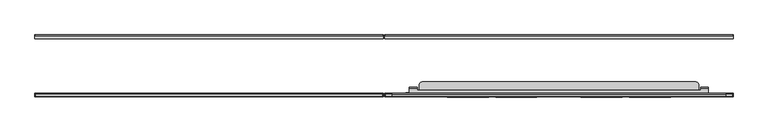
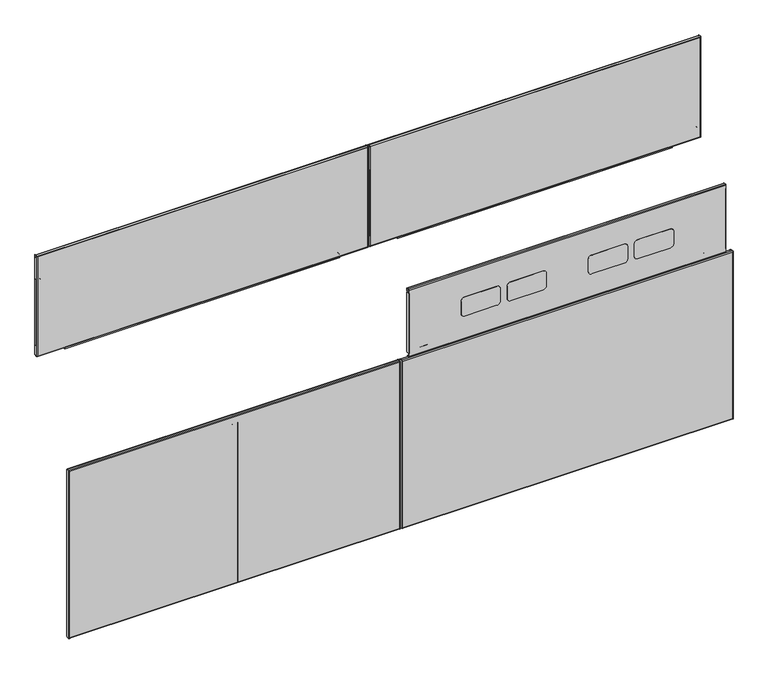
"""IFC4 building model written with IfcOpenShell, lengths in millimetres: furniture geometry."""

import ifcopenshell
import ifcopenshell.guid

model = None  # the IFC model being written
_history = None  # IfcOwnerHistory: only IFC2X3 demands one
_inside = {}  # id of a spatial element -> (the spatial element, [elements in it])
_under = {}  # id of a project, library or spatial element -> (it, [spatial elements below it])
_declared = {}  # id of a project -> (the project, [libraries it declares])
_typed = {}  # id of a type object -> (the type object, [elements of that type])
_made_of = {}  # id of a material, layer set ... -> (it, [elements and type objects made of it])


def new_model(schema):
    """Start an empty IFC model of exactly this schema.

    Asked for "IFC4X3", IfcOpenShell would pick the latest addendum, in which some entities
    have other attributes; the version numbers below select the first issue.
    IFC2X3 requires an IfcOwnerHistory on every rooted entity: one is made here for all.
    """
    global model, _history
    if schema == "IFC4X3":
        model = ifcopenshell.file(schema_version=(4, 3, 0, 0))
    else:
        model = ifcopenshell.file(schema=schema)
    _inside.clear()
    _under.clear()
    _declared.clear()
    _typed.clear()
    _made_of.clear()
    _history = None
    if model.schema == "IFC2X3":
        org = make("IfcOrganization", Name="unknown")
        user = make(
            "IfcPersonAndOrganization",
            ThePerson=make("IfcPerson", FamilyName="unknown"),
            TheOrganization=org,
        )
        app = make(
            "IfcApplication",
            ApplicationDeveloper=org,
            Version="unknown",
            ApplicationFullName="unknown",
            ApplicationIdentifier="unknown",
        )
        _history = make(
            "IfcOwnerHistory",
            OwningUser=user,
            OwningApplication=app,
            ChangeAction="ADDED",
            CreationDate=0,
        )
    return model


def make(cls, **values):
    """One entity of the class cls with the attributes given. An attribute that is None is left unset."""
    return model.create_entity(
        cls, **{name: value for name, value in values.items() if value is not None}
    )


def rooted(cls, **values):
    """An entity with a GlobalId (a new one), such as an element, a storey or a relation."""
    return make(cls, GlobalId=ifcopenshell.guid.new(), OwnerHistory=_history, **values)


def si_unit(unit_type, name, prefix=None):
    """IfcSIUnit, for example si_unit("LENGTHUNIT", "METRE", prefix="MILLI")."""
    return make("IfcSIUnit", UnitType=unit_type, Prefix=prefix, Name=name)


def assignment(units):
    """IfcUnitAssignment: the units of a project."""
    return None if units is None else make("IfcUnitAssignment", Units=units)


def point(xyz):
    """IfcCartesianPoint."""
    return None if xyz is None else make("IfcCartesianPoint", Coordinates=xyz)


def direction(xyz):
    """IfcDirection."""
    return None if xyz is None else make("IfcDirection", DirectionRatios=xyz)


def frame(location, z_axis=None, x_axis=None):
    """IfcAxis2Placement3D, a coordinate frame: its origin and axes. An axis left out is left unset."""
    return make(
        "IfcAxis2Placement3D",
        Location=point(location),
        Axis=direction(z_axis),
        RefDirection=direction(x_axis),
    )


def frame_2d(location, x_axis=None):
    """IfcAxis2Placement2D, a coordinate frame in the plane: its origin and x axis."""
    return make(
        "IfcAxis2Placement2D", Location=point(location), RefDirection=direction(x_axis)
    )


def origin():
    """The frame at (0, 0, 0) with its axes left unset."""
    return frame((0.0, 0.0, 0.0))


def place(relative_to, where):
    """IfcLocalPlacement: puts the frame where relative to a parent placement (None: the world)."""
    return make(
        "IfcLocalPlacement", PlacementRelTo=relative_to, RelativePlacement=where
    )


def context(
    kind, dimensions, precision=None, world=None, true_north=None, identifier=None
):
    """IfcGeometricRepresentationContext, for example the 3D "Model" context."""
    return make(
        "IfcGeometricRepresentationContext",
        ContextIdentifier=identifier,
        ContextType=kind,
        CoordinateSpaceDimension=dimensions,
        Precision=precision,
        WorldCoordinateSystem=world,
        TrueNorth=true_north,
    )


def project(units=None, contexts=None):
    """IfcProject with its units and contexts."""
    return rooted(
        "IfcProject",
        Name="project",
        RepresentationContexts=contexts,
        UnitsInContext=assignment(units),
    )


def spatial(cls, under=None, at=None, **own):
    """A site, building, storey or space (cls), placed at a placement, below another one or the project."""
    s = rooted(cls, ObjectPlacement=at, **own)
    if under is not None:
        _under.setdefault(under.id(), (under, []))[1].append(s)
    return s


def polyline(points):
    """IfcPolyline through the points."""
    return make("IfcPolyline", Points=[point(p) for p in points])


def circle_curve(where, radius):
    """IfcCircle in the frame where."""
    return make("IfcCircle", Position=where, Radius=radius)


def trimmed(basis, trim1, trim2, sense, master):
    """IfcTrimmedCurve: the piece of a basis curve between two trims."""
    return make(
        "IfcTrimmedCurve",
        BasisCurve=basis,
        Trim1=trim1,
        Trim2=trim2,
        SenseAgreement=sense,
        MasterRepresentation=master,
    )


def segment(curve, same_sense, transition):
    """IfcCompositeCurveSegment."""
    return make(
        "IfcCompositeCurveSegment",
        Transition=transition,
        SameSense=same_sense,
        ParentCurve=curve,
    )


def composite_curve(segments, self_intersect=None):
    """IfcCompositeCurve: segments joined end to end."""
    return make("IfcCompositeCurve", Segments=segments, SelfIntersect=self_intersect)


def outline(outer, holes=None, kind="AREA"):
    """IfcArbitraryClosedProfileDef: a profile drawn as a closed curve; with holes, ...WithVoids."""
    if holes is None:
        return make("IfcArbitraryClosedProfileDef", ProfileType=kind, OuterCurve=outer)
    return make(
        "IfcArbitraryProfileDefWithVoids",
        ProfileType=kind,
        OuterCurve=outer,
        InnerCurves=holes,
    )


def extrude(swept, where, along, depth):
    """IfcExtrudedAreaSolid: the profile swept, set in the frame where, extruded along a direction by depth."""
    return make(
        "IfcExtrudedAreaSolid",
        SweptArea=swept,
        Position=where,
        ExtrudedDirection=direction(along),
        Depth=depth,
    )


def shape(context_of_items, identifier, shape_type, items):
    """IfcShapeRepresentation: the items that make up one representation, for example the "Body"."""
    return make(
        "IfcShapeRepresentation",
        ContextOfItems=context_of_items,
        RepresentationIdentifier=identifier,
        RepresentationType=shape_type,
        Items=items,
    )


def source(mapping_origin, context_of_items, identifier, shape_type, items):
    """IfcRepresentationMap: a shape defined once, which mapped items show again and again."""
    return make(
        "IfcRepresentationMap",
        MappingOrigin=mapping_origin,
        MappedRepresentation=shape(context_of_items, identifier, shape_type, items),
    )


def transform(
    local_origin,
    x_axis=None,
    y_axis=None,
    z_axis=None,
    scale=None,
    scale2=None,
    scale3=None,
    uniform=True,
):
    """IfcCartesianTransformationOperator3D, or its non-uniform kind. x_axis, y_axis, z_axis: its Axis1, 2, 3."""
    if uniform:
        return make(
            "IfcCartesianTransformationOperator3D",
            Axis1=direction(x_axis),
            Axis2=direction(y_axis),
            LocalOrigin=point(local_origin),
            Scale=scale,
            Axis3=direction(z_axis),
        )
    return make(
        "IfcCartesianTransformationOperator3DnonUniform",
        Axis1=direction(x_axis),
        Axis2=direction(y_axis),
        LocalOrigin=point(local_origin),
        Scale=scale,
        Axis3=direction(z_axis),
        Scale2=scale2,
        Scale3=scale3,
    )


def mapped(mapping_source, mapping_target):
    """IfcMappedItem: shows the shape of a source again, moved by a transform."""
    return make(
        "IfcMappedItem", MappingSource=mapping_source, MappingTarget=mapping_target
    )


def made_of(thing, what):
    """Note that an element or type object is made of a material, layer set ...; save() writes the relation."""
    if what is not None:
        _made_of.setdefault(what.id(), (what, []))[1].append(thing)
    return thing


def element(
    cls,
    number,
    at=None,
    inside=None,
    cuts=None,
    type_object=None,
    material=None,
    context=None,
    identifier="Body",
    shape_type=None,
    held_by="IfcProductDefinitionShape",
    body=None,
    shapes=None,
    **own,
):
    """One element of the class cls, such as IfcWall. Its Tag is "e" and its number.

    at: its placement. inside: the storey or other place that contains it. cuts: it is an
    opening in that element (IfcRelVoidsElement). A single representation is given by context,
    identifier, shape_type and body (its items); several are given by shapes. held_by: the class
    of the entity that holds the representations. save() writes the other relations.
    """
    e = rooted(cls, Tag="e%d" % number, ObjectPlacement=at, **own)
    if body is not None:
        shapes = [shape(context, identifier, shape_type, body)]
    if shapes is not None:
        e.Representation = make(held_by, Representations=shapes)
    if inside is not None:
        _inside.setdefault(inside.id(), (inside, []))[1].append(e)
    if cuts is not None:
        rooted(
            "IfcRelVoidsElement", RelatingBuildingElement=cuts, RelatedOpeningElement=e
        )
    if type_object is not None:
        _typed.setdefault(type_object.id(), (type_object, []))[1].append(e)
    return made_of(e, material)


def aggregate(whole, parts):
    """IfcRelAggregates: a whole, such as a stair, and the parts it consists of."""
    return rooted("IfcRelAggregates", RelatingObject=whole, RelatedObjects=parts)


def save(model, path):
    """Write the relations noted so far, then the file.

    IfcRelAggregates (storeys below a building ...), IfcRelContainedInSpatialStructure (elements
    in a storey), IfcRelDefinesByType, IfcRelAssociatesMaterial and IfcRelDeclares: one each for
    every whole, place, type object, material and project.
    """
    for whole, parts in _under.values():
        aggregate(whole, parts)
    for where, things in _inside.values():
        rooted(
            "IfcRelContainedInSpatialStructure",
            RelatedElements=things,
            RelatingStructure=where,
        )
    for kind, things in _typed.values():
        rooted("IfcRelDefinesByType", RelatedObjects=things, RelatingType=kind)
    for what, things in _made_of.values():
        rooted("IfcRelAssociatesMaterial", RelatedObjects=things, RelatingMaterial=what)
    for by, libraries in _declared.values():
        rooted("IfcRelDeclares", RelatingContext=by, RelatedDefinitions=libraries)
    model.write(path)


def plane_surface(at):
    """IfcPlane: the flat surface through the origin of the frame at, square to its z axis."""
    return make("IfcPlane", Position=at)


def cylinder_surface(at, radius):
    """IfcCylindricalSurface: all points at the distance radius from the z axis of the frame at."""
    return make("IfcCylindricalSurface", Position=at, Radius=radius)


def revolved_surface(curve, axis_point, axis_direction):
    """IfcSurfaceOfRevolution: the curve turned about the line through axis_point along axis_direction."""
    return make(
        "IfcSurfaceOfRevolution",
        SweptCurve=make("IfcArbitraryOpenProfileDef", ProfileType="CURVE", Curve=curve),
        AxisPosition=make("IfcAxis1Placement", Location=point(axis_point), Axis=direction(axis_direction)),
    )


def advanced_brep(points, edges, surfaces, faces):
    """IfcAdvancedBrep: a solid bounded by faces that lie on surfaces and meet in shared edges.

    An edge is (start, end): straight between two places in points (the first is 0);
    or (start, end, curve); or (start, end, curve, False) where it runs against its curve.
    A face is (place in surfaces, loops), or (place, loops, False) where it looks against
    its surface's normal. A loop lists edges by number (the first is 1), with a minus sign
    where the edge is run from its end to its start. The first loop is the outer one.
    """
    corners = [point(p) for p in points]
    vertices = [make("IfcVertexPoint", VertexGeometry=c) for c in corners]
    made = []
    for start, end, *more in edges:
        made.append(
            make(
                "IfcEdgeCurve",
                EdgeStart=vertices[start],
                EdgeEnd=vertices[end],
                EdgeGeometry=more[0] if more else make("IfcPolyline", Points=[corners[start], corners[end]]),
                SameSense=more[1] if len(more) > 1 else True,
            )
        )
    hull = []
    for where, loops, *sense in faces:
        bounds = []
        for j, loop in enumerate(loops):
            ring = [make("IfcOrientedEdge", EdgeElement=made[abs(k) - 1], Orientation=k > 0) for k in loop]
            bounds.append(
                make(
                    "IfcFaceOuterBound" if j == 0 else "IfcFaceBound",
                    Bound=make("IfcEdgeLoop", EdgeList=ring),
                    Orientation=True,
                )
            )
        hull.append(make("IfcAdvancedFace", Bounds=bounds, FaceSurface=surfaces[where], SameSense=sense[0] if sense else True))
    return make("IfcAdvancedBrep", Outer=make("IfcClosedShell", CfsFaces=hull))


def furniture_0deeffac(model_context):
    return source(origin(), model_context, "Body", "SolidModel", [
        extrude(outline(composite_curve([segment(polyline([(734.9612073, 993.618702), (734.9612073, 1749.6539044), (745.1433918, 1749.6539044)]), True, "CONTINUOUS"), segment(trimmed(circle_curve(frame_2d((745.1433918, 1747.8360946)), 1.8178098), [point((745.1433918, 1749.6539044))], [point((746.9612016, 1747.8360946))], False, "CARTESIAN"), True, "CONTINUOUS"), segment(polyline([(746.9612016, 1747.8360946), (746.9612016, 995.0508917)]), True, "CONTINUOUS"), segment(trimmed(circle_curve(frame_2d((745.5290119, 995.0508917)), 1.4321897), [point((746.9612016, 995.0508917))], [point((745.5290119, 993.618702))], False, "CARTESIAN"), True, "CONTINUOUS"), segment(polyline([(745.5290119, 993.618702), (734.9612073, 993.618702)]), True, "CONTINUOUS")], self_intersect=False)), frame((0.0, -58.6781407, 0.0), z_axis=(0.0, 1.0, 0.0), x_axis=(0.0, 0.0, 1.0)), (0.0, 0.0, 1.0), 7.3431383),
        extrude(outline(composite_curve([segment(polyline([(825.6287108, 927.4859018), (960.2347544, 927.4859018)]), True, "CONTINUOUS"), segment(trimmed(circle_curve(frame_2d((960.2347544, 925.2594545)), 2.2264474), [point((960.2347544, 927.4859018))], [point((962.4612018, 925.2594545))], False, "CARTESIAN"), True, "CONTINUOUS"), segment(polyline([(962.4612018, 925.2594545), (962.4612018, 916.4000233), (769.9612512, 916.4000233), (769.9612512, 925.7819869)]), True, "CONTINUOUS"), segment(trimmed(circle_curve(frame_2d((771.6651662, 925.7819869)), 1.703915), [point((769.9612512, 925.7819869))], [point((771.6651662, 927.4859018))], False, "CARTESIAN"), True, "CONTINUOUS"), segment(polyline([(771.6651662, 927.4859018), (775.0827409, 927.4859018), (775.0827409, 921.8968534), (825.6287108, 921.8968534), (825.6287108, 927.4859018)]), True, "CONTINUOUS")], self_intersect=False)), frame((0.0, -58.6781407, 0.0), z_axis=(0.0, 1.0, 0.0), x_axis=(0.0, 0.0, 1.0)), (0.0, 0.0, 1.0), 7.3431383),
        extrude(outline(composite_curve([segment(polyline([(825.6287108, 1815.7878843), (825.6287108, 1821.3768844), (775.0827409, 1821.376885), (775.0827409, 1815.7878843), (771.3508741, 1815.7878843)]), True, "CONTINUOUS"), segment(trimmed(circle_curve(frame_2d((771.3508741, 1817.1775072)), 1.3896229), [point((771.3508741, 1815.7878843))], [point((769.9612512, 1817.1775072))], False, "CARTESIAN"), True, "CONTINUOUS"), segment(polyline([(769.9612512, 1817.1775072), (769.9612512, 1826.8000044), (962.4612018, 1826.8000044), (962.4612018, 1817.3471973)]), True, "CONTINUOUS"), segment(trimmed(circle_curve(frame_2d((960.9018888, 1817.3471973)), 1.559313), [point((962.4612018, 1817.3471973))], [point((960.9018888, 1815.7878843))], False, "CARTESIAN"), True, "CONTINUOUS"), segment(polyline([(960.9018888, 1815.7878843), (825.6287108, 1815.7878843)]), True, "CONTINUOUS")], self_intersect=False)), frame((0.0, -58.6781407, 0.0), z_axis=(0.0, 1.0, 0.0), x_axis=(0.0, 0.0, 1.0)), (0.0, 0.0, 1.0), 7.3431383),
        extrude(outline(polyline([(916.4000233, -51.3350025), (1826.8000044, -51.3350025), (1826.8000044, -60.8600025), (916.4000233, -60.8600025), (916.4000233, -51.3350025)])), frame((0.0, 0.0, 740.3599691), z_axis=(0.0, 0.0, 1.0), x_axis=(1.0, 0.0, 0.0)), (0.0, 0.0, 1.0), 0.9118629),
        extrude(outline(composite_curve([segment(trimmed(circle_curve(frame_2d((-53.4811786, 1029.2138314)), 1.2343177), [point((-52.2468609, 1029.2138314))], [point((-53.4811786, 1030.4481491))], True, "CARTESIAN"), True, "CONTINUOUS"), segment(polyline([(-53.4811786, 1030.4481491), (-60.8600025, 1030.4481491), (-60.8600025, 1031.3600121), (-53.3140334, 1031.3600121)]), True, "CONTINUOUS"), segment(trimmed(circle_curve(frame_2d((-53.3140334, 1029.3809811)), 1.9790309), [point((-53.3140334, 1031.3600121))], [point((-51.3350025, 1029.3809811))], False, "CARTESIAN"), True, "CONTINUOUS"), segment(polyline([(-51.3350025, 1029.3809811), (-51.3350025, 1023.3599916), (-52.2468609, 1023.3599916), (-52.2468609, 1029.2138314)]), True, "CONTINUOUS")], self_intersect=False)), frame((916.4000233, 0.0, 0.0), z_axis=(1.0, 0.0, 0.0), x_axis=(0.0, 1.0, 0.0)), (0.0, 0.0, 1.0), 910.3999811),
        extrude(outline(composite_curve([segment(polyline([(1826.8000044, -51.3350025), (1826.8000044, -58.637242)]), True, "CONTINUOUS"), segment(trimmed(circle_curve(frame_2d((1824.5772439, -58.637242)), 2.2227605), [point((1826.8000044, -58.637242))], [point((1824.5772439, -60.8600025))], False, "CARTESIAN"), True, "CONTINUOUS"), segment(polyline([(1824.5772439, -60.8600025), (918.9400233, -60.8600025)]), True, "CONTINUOUS"), segment(trimmed(circle_curve(frame_2d((918.9400233, -58.3200025)), 2.54), [point((918.9400233, -60.8600025))], [point((916.4000233, -58.3200025))], False, "CARTESIAN"), True, "CONTINUOUS"), segment(polyline([(916.4000233, -58.3200025), (916.4000233, -51.3350025), (917.327504, -51.3350025), (917.327504, -58.5359447)]), True, "CONTINUOUS"), segment(trimmed(circle_curve(frame_2d((918.7396987, -58.5359447)), 1.4121948), [point((917.327504, -58.5359447))], [point((918.7396987, -59.9481395))], True, "CARTESIAN"), True, "CONTINUOUS"), segment(polyline([(918.7396987, -59.9481395), (1824.7706627, -59.9481395)]), True, "CONTINUOUS"), segment(trimmed(circle_curve(frame_2d((1824.7706627, -58.8306579)), 1.1174816), [point((1824.7706627, -59.9481395))], [point((1825.8881443, -58.8306579))], True, "CARTESIAN"), True, "CONTINUOUS"), segment(polyline([(1825.8881443, -58.8306579), (1825.8881443, -51.3350025), (1826.8000044, -51.3350025)]), True, "CONTINUOUS")], self_intersect=False)), frame((0.0, 0.0, 740.3599691), z_axis=(0.0, 0.0, 1.0), x_axis=(1.0, 0.0, 0.0)), (0.0, 0.0, 1.0), 291.0000429),
        extrude(outline(composite_curve([segment(polyline([(734.9612073, 835.181298), (745.5290119, 835.181298)]), True, "CONTINUOUS"), segment(trimmed(circle_curve(frame_2d((745.5290119, 833.7491083)), 1.4321897), [point((745.5290119, 835.181298))], [point((746.9612016, 833.7491083))], False, "CARTESIAN"), True, "CONTINUOUS"), segment(polyline([(746.9612016, 833.7491083), (746.9612016, 80.9639054)]), True, "CONTINUOUS"), segment(trimmed(circle_curve(frame_2d((745.1433918, 80.9639054)), 1.8178098), [point((746.9612016, 80.9639054))], [point((745.1433918, 79.1460956))], False, "CARTESIAN"), True, "CONTINUOUS"), segment(polyline([(745.1433918, 79.1460956), (734.9612073, 79.1460956), (734.9612073, 835.181298)]), True, "CONTINUOUS")], self_intersect=False)), frame((0.0, -58.6781407, 0.0), z_axis=(0.0, 1.0, 0.0), x_axis=(0.0, 0.0, 1.0)), (0.0, 0.0, 1.0), 7.3431383),
        extrude(outline(composite_curve([segment(polyline([(825.6287108, 901.3140982), (825.6287108, 906.9031466), (775.0827409, 906.9031466), (775.0827409, 901.3140982), (771.6651662, 901.3140982)]), True, "CONTINUOUS"), segment(trimmed(circle_curve(frame_2d((771.6651662, 903.0180131)), 1.703915), [point((771.6651662, 901.3140982))], [point((769.9612512, 903.0180131))], False, "CARTESIAN"), True, "CONTINUOUS"), segment(polyline([(769.9612512, 903.0180131), (769.9612512, 912.3999767), (962.4612018, 912.3999767), (962.4612018, 903.5405455)]), True, "CONTINUOUS"), segment(trimmed(circle_curve(frame_2d((960.2347544, 903.5405455)), 2.2264474), [point((962.4612018, 903.5405455))], [point((960.2347544, 901.3140982))], False, "CARTESIAN"), True, "CONTINUOUS"), segment(polyline([(960.2347544, 901.3140982), (825.6287108, 901.3140982)]), True, "CONTINUOUS")], self_intersect=False)), frame((0.0, -58.6781407, 0.0), z_axis=(0.0, 1.0, 0.0), x_axis=(0.0, 0.0, 1.0)), (0.0, 0.0, 1.0), 7.3431383),
        extrude(outline(composite_curve([segment(polyline([(825.6287108, 13.0121157), (960.9018888, 13.0121157)]), True, "CONTINUOUS"), segment(trimmed(circle_curve(frame_2d((960.9018888, 11.4528027)), 1.559313), [point((960.9018888, 13.0121157))], [point((962.4612018, 11.4528027))], False, "CARTESIAN"), True, "CONTINUOUS"), segment(polyline([(962.4612018, 11.4528027), (962.4612018, 1.9999956), (769.9612512, 1.9999956), (769.9612512, 11.6224928)]), True, "CONTINUOUS"), segment(trimmed(circle_curve(frame_2d((771.3508741, 11.6224928)), 1.3896229), [point((769.9612512, 11.6224928))], [point((771.3508741, 13.0121157))], False, "CARTESIAN"), True, "CONTINUOUS"), segment(polyline([(771.3508741, 13.0121157), (775.0827409, 13.0121157), (775.0827409, 7.423115), (825.6287108, 7.4231156), (825.6287108, 13.0121157)]), True, "CONTINUOUS")], self_intersect=False)), frame((0.0, -58.6781407, 0.0), z_axis=(0.0, 1.0, 0.0), x_axis=(0.0, 0.0, 1.0)), (0.0, 0.0, 1.0), 7.3431383),
        extrude(outline(polyline([(912.3999767, -51.3350025), (912.3999767, -60.8600025), (1.9999956, -60.8600025), (1.9999956, -51.3350025), (912.3999767, -51.3350025)])), frame((0.0, 0.0, 740.3599691), z_axis=(0.0, 0.0, 1.0), x_axis=(1.0, 0.0, 0.0)), (0.0, 0.0, 1.0), 0.9118629),
        extrude(outline(composite_curve([segment(trimmed(circle_curve(frame_2d((-53.4811786, 1029.2138314)), 1.2343177), [point((-52.2468609, 1029.2138314))], [point((-53.4811786, 1030.4481491))], True, "CARTESIAN"), True, "CONTINUOUS"), segment(polyline([(-53.4811786, 1030.4481491), (-60.8600025, 1030.4481491), (-60.8600025, 1031.3600121), (-53.3140334, 1031.3600121)]), True, "CONTINUOUS"), segment(trimmed(circle_curve(frame_2d((-53.3140334, 1029.3809811)), 1.9790309), [point((-53.3140334, 1031.3600121))], [point((-51.3350025, 1029.3809811))], False, "CARTESIAN"), True, "CONTINUOUS"), segment(polyline([(-51.3350025, 1029.3809811), (-51.3350025, 1023.3599916), (-52.2468609, 1023.3599916), (-52.2468609, 1029.2138314)]), True, "CONTINUOUS")], self_intersect=False)), frame((1.9999956, 0.0, 0.0), z_axis=(1.0, 0.0, 0.0), x_axis=(0.0, 1.0, 0.0)), (0.0, 0.0, 1.0), 910.3999811),
        extrude(outline(composite_curve([segment(polyline([(1.9999956, -51.3350025), (2.9118557, -51.3350025), (2.9118557, -58.8306579)]), True, "CONTINUOUS"), segment(trimmed(circle_curve(frame_2d((4.0293373, -58.8306579)), 1.1174816), [point((2.9118557, -58.8306579))], [point((4.0293373, -59.9481395))], True, "CARTESIAN"), True, "CONTINUOUS"), segment(polyline([(4.0293373, -59.9481395), (910.0603013, -59.9481395)]), True, "CONTINUOUS"), segment(trimmed(circle_curve(frame_2d((910.0603013, -58.5359447)), 1.4121948), [point((910.0603013, -59.9481395))], [point((911.472496, -58.5359447))], True, "CARTESIAN"), True, "CONTINUOUS"), segment(polyline([(911.472496, -58.5359447), (911.472496, -51.3350025), (912.3999767, -51.3350025), (912.3999767, -58.3200025)]), True, "CONTINUOUS"), segment(trimmed(circle_curve(frame_2d((909.8599767, -58.3200025)), 2.54), [point((912.3999767, -58.3200025))], [point((909.8599767, -60.8600025))], False, "CARTESIAN"), True, "CONTINUOUS"), segment(polyline([(909.8599767, -60.8600025), (4.2227561, -60.8600025)]), True, "CONTINUOUS"), segment(trimmed(circle_curve(frame_2d((4.2227561, -58.637242)), 2.2227605), [point((4.2227561, -60.8600025))], [point((1.9999956, -58.637242))], False, "CARTESIAN"), True, "CONTINUOUS"), segment(polyline([(1.9999956, -58.637242), (1.9999956, -51.3350025)]), True, "CONTINUOUS")], self_intersect=False)), frame((0.0, 0.0, 740.3599691), z_axis=(0.0, 0.0, 1.0), x_axis=(1.0, 0.0, 0.0)), (0.0, 0.0, 1.0), 291.0000429),
        extrude(outline(polyline([(1390.4214166, -206.4751401), (1384.5540058, -206.4751401), (1383.7919884, -206.6793172), (1383.2341736, -207.2371399), (1383.0300073, -207.9991398), (1383.0300073, -209.3239397), (1382.6250538, -210.8352397), (1381.5186896, -211.9415885), (1380.0074083, -212.3465398), (1363.2082399, -212.3465398), (1361.6969586, -211.9415885), (1360.5905945, -210.8352397), (1360.185641, -209.3239397), (1360.185641, -207.9991398), (1359.9814747, -207.2371399), (1359.4236599, -206.6793172), (1358.6616425, -206.4751401), (1352.7942317, -206.4751401), (1352.7942317, -204.97654), (1358.6616425, -204.97654), (1360.1729601, -205.3814916), (1361.2792879, -206.48784), (1361.6842414, -207.9991398), (1361.6842414, -209.3239397), (1361.8884077, -210.0859401), (1362.4462588, -210.6437628), (1363.2082399, -210.8479399), (1380.0074083, -210.8479399), (1380.7693894, -210.6437628), (1381.3272406, -210.0859401), (1381.5314069, -209.3239397), (1381.5314069, -207.9991398), (1381.9363604, -206.48784), (1383.0426882, -205.3814916), (1384.5540058, -204.97654), (1390.4214166, -204.97654), (1390.4214166, -206.4751401)])), frame((0.0, 0.0, 13.511849), z_axis=(0.0, 0.0, 1.0), x_axis=(1.0, 0.0, 0.0)), (0.0, 0.0, 1.0), 465.0000042),
        extrude(outline(composite_curve([segment(polyline([(-206.0205708, 12.9809891), (-213.2583999, 12.9809891), (-213.2583999, 500.6190067), (-205.8612792, 500.6190067)]), True, "CONTINUOUS"), segment(trimmed(circle_curve(frame_2d((-205.8612792, 498.4911276)), 2.1278792), [point((-205.8612792, 500.6190067))], [point((-203.7334, 498.4911276))], False, "CARTESIAN"), True, "CONTINUOUS"), segment(polyline([(-203.7334, 498.4911276), (-203.7334, 15.2681599)]), True, "CONTINUOUS"), segment(trimmed(circle_curve(frame_2d((-206.0205708, 15.2681599)), 2.2871708), [point((-203.7334, 15.2681599))], [point((-206.0205708, 12.9809891))], False, "CARTESIAN"), True, "CONTINUOUS")], self_intersect=False)), frame((916.4000233, 0.0, 0.0), z_axis=(1.0, 0.0, 0.0), x_axis=(0.0, 1.0, 0.0)), (0.0, 0.0, 1.0), 0.9274807),
        extrude(outline(composite_curve([segment(polyline([(-206.0205708, 12.9809891), (-213.2583999, 12.9809891), (-213.2583999, 500.6190067), (-205.8612792, 500.6190067)]), True, "CONTINUOUS"), segment(trimmed(circle_curve(frame_2d((-205.8612792, 498.4911276)), 2.1278792), [point((-205.8612792, 500.6190067))], [point((-203.7334, 498.4911276))], False, "CARTESIAN"), True, "CONTINUOUS"), segment(polyline([(-203.7334, 498.4911276), (-203.7334, 15.2681599)]), True, "CONTINUOUS"), segment(trimmed(circle_curve(frame_2d((-206.0205708, 15.2681599)), 2.2871708), [point((-203.7334, 15.2681599))], [point((-206.0205708, 12.9809891))], False, "CARTESIAN"), True, "CONTINUOUS")], self_intersect=False)), frame((1825.8881443, 0.0, 0.0), z_axis=(1.0, 0.0, 0.0), x_axis=(0.0, 1.0, 0.0)), (0.0, 0.0, 1.0), 0.9118601),
        extrude(outline(polyline([(76.8619872, 917.327504), (76.8619872, 929.449019), (156.5539797, 929.449019), (156.5539797, 923.8600188), (207.099986, 923.8600188), (207.099986, 929.449019), (437.5000033, 929.449019), (437.5000033, 917.327504), (76.8619872, 917.327504)])), frame((0.0, -204.82433, 0.0), z_axis=(0.0, 1.0, 0.0), x_axis=(0.0, 0.0, 1.0)), (0.0, 0.0, 1.0), 0.7986162),
        extrude(outline(polyline([(76.8619872, 1825.8881443), (437.5000033, 1825.8881443), (437.5000033, 1815.7510043), (207.099986, 1815.7510043), (207.099986, 1821.3400044), (156.5539797, 1821.3400044), (156.5539797, 1815.7510043), (76.8619872, 1815.7510043), (76.8619872, 1825.8881443)])), frame((0.0, -204.82433, 0.0), z_axis=(0.0, 1.0, 0.0), x_axis=(0.0, 0.0, 1.0)), (0.0, 0.0, 1.0), 0.7986162),
        extrude(outline(composite_curve([segment(trimmed(circle_curve(frame_2d((-206.0131195, 498.7202595)), 2.2797196), [point((-206.0131195, 500.9999791))], [point((-203.7334, 498.7202595))], False, "CARTESIAN"), True, "CONTINUOUS"), segment(polyline([(-203.7334, 498.7202595), (-203.7334, 486.0902061), (-204.64526, 486.0902061), (-204.64526, 498.7756083)]), True, "CONTINUOUS"), segment(trimmed(circle_curve(frame_2d((-205.9577679, 498.7756083)), 1.3125079), [point((-204.64526, 498.7756083))], [point((-205.9577679, 500.0881162))], True, "CARTESIAN"), True, "CONTINUOUS"), segment(polyline([(-205.9577679, 500.0881162), (-211.0778208, 500.0881162)]), True, "CONTINUOUS"), segment(trimmed(circle_curve(frame_2d((-211.0778208, 498.8193972)), 1.2687189), [point((-211.0778208, 500.0881162))], [point((-212.3465398, 498.8193972))], True, "CARTESIAN"), True, "CONTINUOUS"), segment(polyline([(-212.3465398, 498.8193972), (-212.3465398, 14.9389212)]), True, "CONTINUOUS"), segment(trimmed(circle_curve(frame_2d((-210.9194675, 14.9389212)), 1.4270722), [point((-212.3465398, 14.9389212))], [point((-210.9194675, 13.511849))], True, "CARTESIAN"), True, "CONTINUOUS"), segment(polyline([(-210.9194675, 13.511849), (-205.9776146, 13.511849)]), True, "CONTINUOUS"), segment(trimmed(circle_curve(frame_2d((-205.9776146, 14.8442036)), 1.3323546), [point((-205.9776146, 13.511849))], [point((-204.64526, 14.8442036))], True, "CARTESIAN"), True, "CONTINUOUS"), segment(polyline([(-204.64526, 14.8442036), (-204.64526, 24.5989482), (-203.7334, 24.5989482), (-203.7334, 14.8055187)]), True, "CONTINUOUS"), segment(trimmed(circle_curve(frame_2d((-205.9389292, 14.8055187)), 2.2055292), [point((-203.7334, 14.8055187))], [point((-205.9389292, 12.5999894))], False, "CARTESIAN"), True, "CONTINUOUS"), segment(polyline([(-205.9389292, 12.5999894), (-211.149738, 12.5999894)]), True, "CONTINUOUS"), segment(trimmed(circle_curve(frame_2d((-211.149738, 14.7086513)), 2.1086618), [point((-211.149738, 12.5999894))], [point((-213.2583999, 14.7086513))], False, "CARTESIAN"), True, "CONTINUOUS"), segment(polyline([(-213.2583999, 14.7086513), (-213.2583999, 498.8134963)]), True, "CONTINUOUS"), segment(trimmed(circle_curve(frame_2d((-211.0719171, 498.8134963)), 2.1864828), [point((-213.2583999, 498.8134963))], [point((-211.0719171, 500.9999791))], False, "CARTESIAN"), True, "CONTINUOUS"), segment(polyline([(-211.0719171, 500.9999791), (-206.0131195, 500.9999791)]), True, "CONTINUOUS")], self_intersect=False)), frame((917.327504, 0.0, 0.0), z_axis=(1.0, 0.0, 0.0), x_axis=(0.0, 1.0, 0.0)), (0.0, 0.0, 1.0), 908.5606403),
        advanced_brep(
        [(980.7614149, -189.0734003, 484.7619804), (980.7614149, -189.0734003, 502.380488), (980.7614149, -190.6453154, 503.9524031), (980.7614149, -205.2802599, 503.9524031), (980.7614149, -205.2802599, 504.7619951), (980.7614149, -190.2544323, 504.7619951), (980.7614149, -188.2141807, 502.7217435), (980.7614149, -188.2141807, 484.7619804), (1762.4385987, -189.0734003, 484.7619804), (1762.4385987, -188.2141807, 484.7619804), (1762.4385987, -188.2141807, 502.7217435), (1762.4385987, -190.2544323, 504.7619951), (1762.4385987, -205.2802599, 504.7619951), (1762.4385987, -205.2802599, 503.9524031), (1762.4385987, -190.6453154, 503.9524031), (1762.4385987, -189.0734003, 502.380488), (1742.4385977, -189.0734003, 484.7619804), (1742.4385977, -188.2141807, 484.7619804), (1000.7614296, -188.2141807, 484.7619804), (1000.7614296, -189.0734003, 484.7619804), (1742.4385977, -188.2141807, 502.7217435), (1000.7614296, -188.2141807, 502.7217435), (1742.4385977, -190.2544323, 504.7619951), (1000.7614296, -190.2544323, 504.7619951), (1742.4385977, -196.3134, 504.7619951), (1000.7614296, -196.3134, 504.7619951), (1000.7614296, -190.6453154, 503.9524031), (1000.7614296, -196.3134, 503.9524031), (1742.4385977, -196.3134, 503.9524031), (1742.4385977, -190.6453154, 503.9524031), (1742.4385977, -189.0734003, 502.380488), (1000.7614296, -189.0734003, 502.380488)],
        [
            (0, 1),
            (1, 2, circle_curve(frame((980.7614149, -190.6453154, 502.380488), z_axis=(1.0, 0.0, 0.0), x_axis=(0.0, 1.0, 0.0)), 1.571915)),
            (2, 3),
            (3, 4),
            (4, 5),
            (5, 6, circle_curve(frame((980.7614149, -190.2544323, 502.7217435), z_axis=(-1.0, 0.0, 0.0), x_axis=(0.0, 1.0, 0.0)), 2.0402516)),
            (6, 7),
            (7, 0),
            (8, 9),
            (9, 10),
            (10, 11, circle_curve(frame((1762.4385987, -190.2544323, 502.7217435), z_axis=(1.0, 0.0, 0.0), x_axis=(0.0, 1.0, 0.0)), 2.0402516)),
            (11, 12),
            (12, 13),
            (13, 14),
            (14, 15, circle_curve(frame((1762.4385987, -190.6453154, 502.380488), z_axis=(-1.0, 0.0, 0.0), x_axis=(0.0, 1.0, 0.0)), 1.571915)),
            (15, 8),
            (8, 16),
            (16, 17),
            (17, 9),
            (7, 18),
            (18, 19),
            (19, 0),
            (17, 20),
            (20, 10),
            (6, 21),
            (21, 18),
            (20, 22, circle_curve(frame((1742.4385977, -190.2544323, 502.7217435), z_axis=(1.0, 0.0, 0.0), x_axis=(0.0, 1.0, 0.0)), 2.0402516)),
            (22, 11),
            (5, 23),
            (23, 21, circle_curve(frame((1000.7614296, -190.2544323, 502.7217435), z_axis=(-1.0, 0.0, 0.0), x_axis=(0.0, 1.0, 0.0)), 2.0402516)),
            (4, 12),
            (22, 24),
            (24, 25),
            (25, 23),
            (3, 13),
            (2, 26),
            (26, 27),
            (27, 28),
            (28, 29),
            (29, 14),
            (29, 30, circle_curve(frame((1742.4385977, -190.6453154, 502.380488), z_axis=(-1.0, 0.0, 0.0), x_axis=(0.0, 1.0, 0.0)), 1.571915)),
            (30, 15),
            (1, 31),
            (31, 26, circle_curve(frame((1000.7614296, -190.6453154, 502.380488), z_axis=(1.0, 0.0, 0.0), x_axis=(0.0, 1.0, 0.0)), 1.571915)),
            (19, 31),
            (30, 16),
            (27, 25),
            (24, 28),
        ],
        [
            plane_surface(frame((980.7614149, -189.0734003, 484.7619804), z_axis=(-1.0, 0.0, 0.0), x_axis=(0.0, 1.0, 0.0))),
            plane_surface(frame((1762.4385987, -189.0734003, 484.7619804), z_axis=(1.0, 0.0, 0.0), x_axis=(0.0, -1.0, 0.0))),
            plane_surface(frame((980.7614149, -189.0734003, 484.7619804), z_axis=(0.0, 0.0, -1.0), x_axis=(1.0, 0.0, 0.0))),
            plane_surface(frame((980.7614149, -188.2141807, 484.7619804), z_axis=(0.0, 1.0, 0.0), x_axis=(1.0, 0.0, 0.0))),
            cylinder_surface(frame((1762.4385987, -190.2544323, 502.7217435), z_axis=(-1.0, 0.0, 0.0), x_axis=(0.0, 1.0, 0.0)), 2.0402516),
            plane_surface(frame((980.7614149, -190.2544323, 504.7619951), z_axis=(0.0, 0.0, 1.0), x_axis=(1.0, 0.0, 0.0))),
            plane_surface(frame((980.7614149, -205.2802599, 504.7619951), z_axis=(0.0, -1.0, 0.0), x_axis=(1.0, 0.0, 0.0))),
            plane_surface(frame((980.7614149, -205.2802599, 503.9524031), z_axis=(0.0, 0.0, -1.0), x_axis=(1.0, 0.0, 0.0))),
            revolved_surface(polyline([(1762.4385987, -189.0734004, 502.380488), (1742.4385977, -189.0734004, 502.380488)]), (1762.4385987, -190.6453154, 502.380488), (1.0, 0.0, 0.0)),
            revolved_surface(polyline([(1000.7614296, -189.0734004, 502.380488), (980.7614149, -189.0734004, 502.380488)]), (1762.4385987, -190.6453154, 502.380488), (1.0, 0.0, 0.0)),
            plane_surface(frame((980.7614149, -189.0734003, 502.380488), z_axis=(0.0, -1.0, 0.0), x_axis=(1.0, 0.0, 0.0))),
            plane_surface(frame((1742.4385977, -196.3134, 504.7619951), z_axis=(0.0, 1.0, 0.0), x_axis=(0.0, 0.0, -1.0))),
            plane_surface(frame((1000.7614296, -196.3134, 504.7619951), z_axis=(1.0, 0.0, 0.0), x_axis=(0.0, 0.0, -1.0))),
            plane_surface(frame((1742.4385977, -188.2141807, 504.7619951), z_axis=(-1.0, 0.0, 0.0), x_axis=(0.0, 0.0, -1.0))),
        ],
        [
            (0, [[1, 2, 3, 4, 5, 6, 7, 8]]),
            (1, [[9, 10, 11, 12, 13, 14, 15, 16]]),
            (2, [[17, 18, 19, -9]]),
            (2, [[20, 21, 22, -8]]),
            (3, [[-19, 23, 24, -10]]),
            (3, [[25, 26, -20, -7]]),
            (4, [[-24, 27, 28, -11]]),
            (4, [[29, 30, -25, -6]]),
            (5, [[31, -12, -28, 32, 33, 34, -29, -5]]),
            (6, [[35, -13, -31, -4]]),
            (7, [[36, 37, 38, 39, 40, -14, -35, -3]]),
            (8, [[-40, 41, 42, -15]]),
            (9, [[43, 44, -36, -2]]),
            (10, [[-22, 45, -43, -1]]),
            (10, [[-42, 46, -17, -16]]),
            (11, [[-38, 47, -33, 48]]),
            (12, [[-37, -44, -45, -21, -26, -30, -34, -47]]),
            (13, [[-32, -27, -23, -18, -46, -41, -39, -48]]),
        ],
    ),
        advanced_brep(
        [(971.611392, -202.8234, 481.0000008), (971.611392, -203.7334, 481.0000008), (971.611392, -203.7334, 499.164291), (971.611392, -202.3166887, 500.9515261), (971.611392, -202.3166887, 500.0149173), (971.611392, -202.8234, 499.2323507), (1771.6000031, -203.7334, 481.0000008), (1771.6000031, -203.20254, 481.0000008), (1771.6000031, -203.20254, 500.4554821), (1771.6000031, -203.7334, 499.164291), (1762.4385987, -202.8234, 499.2323507), (1762.4385987, -202.8234, 481.0000008), (982.7614154, -202.3166887, 500.0149173), (982.7614154, -201.9657451, 500.0900056), (1762.4385987, -201.9657451, 500.0900056), (1736.5886005, -181.7333994, 500.0900056), (1736.5886005, -196.3134, 500.0900056), (1762.4385987, -196.3134, 500.0900056), (982.7614154, -196.3134, 500.0900056), (1006.52782, -196.3134, 500.0900056), (1006.52782, -181.7333994, 500.0900056), (1007.5996205, -177.7334005, 500.0900056), (1010.5278211, -174.8051976, 500.0900056), (1014.5278222, -173.7333994, 500.0900056), (1728.5885982, -173.7333994, 500.0900056), (1732.5885994, -174.8051976, 500.0900056), (1735.5168, -177.7334005, 500.0900056), (1014.5278222, -173.7333994, 500.9999791), (1728.5885982, -173.7333994, 500.9999791), (1735.5168, -177.7334005, 500.9999791), (1732.5885994, -174.8051976, 500.9999791), (1010.5278211, -174.8051976, 500.9999791), (1007.5996205, -177.7334005, 500.9999791), (1006.52782, -181.7333994, 500.9999791), (1006.52782, -196.3134, 500.9999791), (982.7614154, -196.3134, 500.9999791), (982.7614154, -201.8977118, 500.9999791), (1762.4385987, -201.8977118, 500.9999791), (1762.4385987, -196.3134, 500.9999791), (1736.5886005, -196.3134, 500.9999791), (1736.5886005, -181.7333994, 500.9999791), (1762.4385987, -203.20254, 500.4554821), (982.7614154, -202.3166887, 500.9515261), (1762.4385987, -203.20254, 481.0000008)],
        [
            (0, 1),
            (1, 2),
            (2, 3, circle_curve(frame((971.611392, -201.8977118, 499.164291), z_axis=(-1.0, 0.0, 0.0), x_axis=(0.0, 1.0, 0.0)), 1.8356882)),
            (3, 4),
            (4, 5, circle_curve(frame((971.611392, -201.9657451, 499.2323507), z_axis=(1.0, 0.0, 0.0), x_axis=(0.0, 1.0, 0.0)), 0.8576549)),
            (5, 0),
            (6, 7),
            (7, 8),
            (8, 9, circle_curve(frame((1771.6000031, -201.8977118, 499.164291), z_axis=(1.0, 0.0, 0.0), x_axis=(0.0, 1.0, 0.0)), 1.8356882)),
            (9, 6),
            (5, 10),
            (10, 11),
            (11, 0),
            (4, 12),
            (12, 13, circle_curve(frame((982.7614154, -201.9657451, 499.2323507), z_axis=(-1.0, 0.0, 0.0), x_axis=(0.0, 1.0, 0.0)), 0.8576549)),
            (13, 14),
            (14, 10, circle_curve(frame((1762.4385987, -201.9657451, 499.2323507), z_axis=(1.0, 0.0, 0.0), x_axis=(0.0, 1.0, 0.0)), 0.8576549)),
            (15, 16),
            (16, 17),
            (17, 14),
            (13, 18),
            (18, 19),
            (19, 20),
            (20, 21),
            (21, 22),
            (22, 23),
            (23, 24),
            (24, 25),
            (25, 26),
            (26, 15),
            (23, 27),
            (27, 28),
            (28, 24),
            (29, 30),
            (30, 28),
            (27, 31),
            (31, 32),
            (32, 33),
            (33, 34),
            (34, 35),
            (35, 36),
            (36, 37),
            (37, 38),
            (38, 39),
            (39, 40),
            (40, 29),
            (8, 41),
            (41, 37, circle_curve(frame((1762.4385987, -201.8977118, 499.164291), z_axis=(-1.0, 0.0, 0.0), x_axis=(0.0, 1.0, 0.0)), 1.8356882)),
            (36, 42, circle_curve(frame((982.7614154, -201.8977118, 499.164291), z_axis=(1.0, 0.0, 0.0), x_axis=(0.0, 1.0, 0.0)), 1.8356882)),
            (42, 3),
            (2, 9),
            (1, 6),
            (11, 43),
            (43, 7),
            (26, 29),
            (40, 15),
            (25, 30),
            (43, 41),
            (17, 38),
            (16, 39),
            (20, 33),
            (32, 21),
            (31, 22),
            (42, 12),
            (35, 18),
            (34, 19),
        ],
        [
            plane_surface(frame((971.611392, -202.8234, 494.4355179), z_axis=(-1.0, 0.0, 0.0), x_axis=(0.0, 0.0, 1.0))),
            plane_surface(frame((1771.6000031, -202.8234, 494.4355179), z_axis=(1.0, 0.0, 0.0), x_axis=(0.0, 0.0, -1.0))),
            plane_surface(frame((971.611392, -202.8234, 481.0000008), z_axis=(0.0, 1.0, 0.0), x_axis=(1.0, 0.0, 0.0))),
            revolved_surface(polyline([(1762.4385987, -201.1080902, 499.2323507), (971.611392, -201.1080902, 499.2323507)]), (1771.6000031, -201.9657451, 499.2323507), (1.0, 0.0, 0.0)),
            plane_surface(frame((971.611392, -201.9657451, 500.0900056), z_axis=(0.0, 0.0, -1.0), x_axis=(1.0, 0.0, 0.0))),
            plane_surface(frame((971.611392, -173.7333994, 500.0900056), z_axis=(0.0, 1.0, 0.0), x_axis=(1.0, 0.0, 0.0))),
            plane_surface(frame((971.611392, -173.7333994, 500.9999791), z_axis=(0.0, 0.0, 1.0), x_axis=(1.0, 0.0, 0.0))),
            cylinder_surface(frame((1771.6000031, -201.8977118, 499.164291), z_axis=(-1.0, 0.0, 0.0), x_axis=(0.0, 1.0, 0.0)), 1.8356882),
            plane_surface(frame((971.611392, -203.7334, 499.164291), z_axis=(0.0, -1.0, 0.0), x_axis=(1.0, 0.0, 0.0))),
            plane_surface(frame((971.611392, -203.7334, 481.0000008), z_axis=(0.0, 0.0, -1.0), x_axis=(1.0, 0.0, 0.0))),
            plane_surface(frame((1736.5886005, -181.7333994, 533.1392388), z_axis=(0.9659255828324517, 0.2588199536932742, 0.0), x_axis=(0.0, 0.0, -1.0))),
            plane_surface(frame((1735.5168, -177.7334005, 533.1392388), z_axis=(0.707107055381215, 0.7071065069917737, 0.0), x_axis=(0.0, 0.0, -1.0))),
            plane_surface(frame((1732.5885994, -174.8051976, 533.1392388), z_axis=(0.25881930494190625, 0.9659257566652774, 0.0), x_axis=(0.0, 0.0, -1.0))),
            plane_surface(frame((1771.5885989, -203.20254, 533.1392388), z_axis=(0.0, 1.0, 0.0), x_axis=(0.0, 0.0, -1.0))),
            plane_surface(frame((1762.4385987, -203.20254, 533.1392388), z_axis=(1.0, 0.0, 0.0), x_axis=(0.0, 0.0, -1.0))),
            plane_surface(frame((1762.4385987, -196.3134, 533.1392388), z_axis=(0.0, 1.0, 0.0), x_axis=(0.0, 0.0, -1.0))),
            plane_surface(frame((1736.5886005, -196.3134, 533.1392388), z_axis=(1.0, 0.0, 0.0), x_axis=(0.0, 0.0, -1.0))),
            plane_surface(frame((1007.5996205, -177.7334005, 531.699196), z_axis=(-0.9659255828324518, 0.258819953693274, 0.0), x_axis=(0.0, 0.0, -1.0))),
            plane_surface(frame((1010.5278211, -174.8051976, 531.699196), z_axis=(-0.707107055381215, 0.7071065069917737, 0.0), x_axis=(0.0, 0.0, -1.0))),
            plane_surface(frame((1014.5278222, -173.7333994, 531.699196), z_axis=(-0.25881930494190625, 0.9659257566652774, 0.0), x_axis=(0.0, 0.0, -1.0))),
            plane_surface(frame((982.7614154, -202.3166887, 531.699196), z_axis=(0.0, 1.0, 0.0), x_axis=(0.0, 0.0, -1.0))),
            plane_surface(frame((982.7614154, -196.3134, 531.699196), z_axis=(-1.0, 0.0, 0.0), x_axis=(0.0, 0.0, -1.0))),
            plane_surface(frame((1006.52782, -196.3134, 531.699196), z_axis=(0.0, 1.0, 0.0), x_axis=(0.0, 0.0, -1.0))),
            plane_surface(frame((1006.52782, -181.7333994, 531.699196), z_axis=(-1.0, 0.0, 0.0), x_axis=(0.0, 0.0, -1.0))),
        ],
        [
            (0, [[1, 2, 3, 4, 5, 6]]),
            (1, [[7, 8, 9, 10]]),
            (2, [[11, 12, 13, -6]]),
            (3, [[-5, 14, 15, 16, 17, -11]]),
            (4, [[18, 19, 20, -16, 21, 22, 23, 24, 25, 26, 27, 28, 29, 30]]),
            (5, [[-27, 31, 32, 33]]),
            (6, [[34, 35, -32, 36, 37, 38, 39, 40, 41, 42, 43, 44, 45, 46]]),
            (7, [[-9, 47, 48, -42, 49, 50, -3, 51]]),
            (8, [[52, -10, -51, -2]]),
            (9, [[-13, 53, 54, -7, -52, -1]]),
            (10, [[-30, 55, -46, 56]]),
            (11, [[-29, 57, -34, -55]]),
            (12, [[-28, -33, -35, -57]]),
            (13, [[-47, -8, -54, 58]]),
            (14, [[-53, -12, -17, -20, 59, -43, -48, -58]]),
            (15, [[-19, 60, -44, -59]]),
            (16, [[-45, -60, -18, -56]]),
            (17, [[-24, 61, -38, 62]]),
            (18, [[-37, 63, -25, -62]]),
            (19, [[-36, -31, -26, -63]]),
            (20, [[-14, -4, -50, 64]]),
            (21, [[-49, -41, 65, -21, -15, -64]]),
            (22, [[-40, 66, -22, -65]]),
            (23, [[-39, -61, -23, -66]]),
        ],
    ),
        extrude(outline(composite_curve([segment(trimmed(circle_curve(frame_2d((616.0389877, 1653.4543456)), 9.9868524), [point((616.0389877, 1663.441198))], [point((626.0258401, 1653.4543456))], False, "CARTESIAN"), True, "CONTINUOUS"), segment(polyline([(626.0258401, 1653.4543456), (626.0258401, 1564.7967238)]), True, "CONTINUOUS"), segment(trimmed(circle_curve(frame_2d((616.7203082, 1564.7967238)), 9.3055319), [point((626.0258401, 1564.7967238))], [point((616.7203082, 1555.4911919))], False, "CARTESIAN"), True, "CONTINUOUS"), segment(polyline([(616.7203082, 1555.4911919), (580.9036446, 1555.4911919)]), True, "CONTINUOUS"), segment(trimmed(circle_curve(frame_2d((580.9036446, 1565.2330062)), 9.7418143), [point((580.9036446, 1555.4911919))], [point((571.1618302, 1565.2330062))], False, "CARTESIAN"), True, "CONTINUOUS"), segment(polyline([(571.1618302, 1565.2330062), (571.1618302, 1653.905977)]), True, "CONTINUOUS"), segment(trimmed(circle_curve(frame_2d((580.6970512, 1653.905977)), 9.535221), [point((571.1618302, 1653.905977))], [point((580.6970512, 1663.441198))], False, "CARTESIAN"), True, "CONTINUOUS"), segment(polyline([(580.6970512, 1663.441198), (616.0389877, 1663.441198)]), True, "CONTINUOUS")], self_intersect=False)), frame((0.0, -213.6020823, 0.0), z_axis=(0.0, 1.0, 0.0), x_axis=(0.0, 0.0, 1.0)), (0.0, 0.0, 1.0), 0.2886826),
        extrude(outline(composite_curve([segment(trimmed(circle_curve(frame_2d((616.0389877, 1527.1655425)), 9.9868524), [point((616.0389877, 1537.1523949))], [point((626.0258401, 1527.1655425))], False, "CARTESIAN"), True, "CONTINUOUS"), segment(polyline([(626.0258401, 1527.1655425), (626.0258401, 1438.5079389)]), True, "CONTINUOUS"), segment(trimmed(circle_curve(frame_2d((616.7203082, 1438.5079389)), 9.3055319), [point((626.0258401, 1438.5079389))], [point((616.7203082, 1429.202407))], False, "CARTESIAN"), True, "CONTINUOUS"), segment(polyline([(616.7203082, 1429.202407), (580.9036446, 1429.202407)]), True, "CONTINUOUS"), segment(trimmed(circle_curve(frame_2d((580.9036446, 1438.9442213)), 9.7418143), [point((580.9036446, 1429.202407))], [point((571.1618302, 1438.9442213))], False, "CARTESIAN"), True, "CONTINUOUS"), segment(polyline([(571.1618302, 1438.9442213), (571.1618302, 1527.6171739)]), True, "CONTINUOUS"), segment(trimmed(circle_curve(frame_2d((580.6970512, 1527.6171739)), 9.535221), [point((571.1618302, 1527.6171739))], [point((580.6970512, 1537.1523949))], False, "CARTESIAN"), True, "CONTINUOUS"), segment(polyline([(580.6970512, 1537.1523949), (616.0389877, 1537.1523949)]), True, "CONTINUOUS")], self_intersect=False)), frame((0.0, -213.6020823, 0.0), z_axis=(0.0, 1.0, 0.0), x_axis=(0.0, 0.0, 1.0)), (0.0, 0.0, 1.0), 0.2886826),
        extrude(outline(composite_curve([segment(trimmed(circle_curve(frame_2d((616.0389877, 1303.8279514)), 9.9868524), [point((616.0389877, 1313.8148038))], [point((626.0258401, 1303.8279514))], False, "CARTESIAN"), True, "CONTINUOUS"), segment(polyline([(626.0258401, 1303.8279514), (626.0258401, 1215.1703478)]), True, "CONTINUOUS"), segment(trimmed(circle_curve(frame_2d((616.7203082, 1215.1703478)), 9.3055319), [point((626.0258401, 1215.1703478))], [point((616.7203082, 1205.8648159))], False, "CARTESIAN"), True, "CONTINUOUS"), segment(polyline([(616.7203082, 1205.8648159), (580.9036446, 1205.8648159)]), True, "CONTINUOUS"), segment(trimmed(circle_curve(frame_2d((580.9036446, 1215.6066302)), 9.7418143), [point((580.9036446, 1205.8648159))], [point((571.1618302, 1215.6066302))], False, "CARTESIAN"), True, "CONTINUOUS"), segment(polyline([(571.1618302, 1215.6066302), (571.1618302, 1304.2795828)]), True, "CONTINUOUS"), segment(trimmed(circle_curve(frame_2d((580.6970512, 1304.2795828)), 9.535221), [point((571.1618302, 1304.2795828))], [point((580.6970512, 1313.8148038))], False, "CARTESIAN"), True, "CONTINUOUS"), segment(polyline([(580.6970512, 1313.8148038), (616.0389877, 1313.8148038)]), True, "CONTINUOUS")], self_intersect=False)), frame((0.0, -213.6020823, 0.0), z_axis=(0.0, 1.0, 0.0), x_axis=(0.0, 0.0, 1.0)), (0.0, 0.0, 1.0), 0.2886826),
        extrude(outline(composite_curve([segment(trimmed(circle_curve(frame_2d((616.0389877, 1177.5391665)), 9.9868524), [point((616.0389877, 1187.5260189))], [point((626.0258401, 1177.5391665))], False, "CARTESIAN"), True, "CONTINUOUS"), segment(polyline([(626.0258401, 1177.5391665), (626.0258401, 1088.8815447)]), True, "CONTINUOUS"), segment(trimmed(circle_curve(frame_2d((616.7203082, 1088.8815447)), 9.3055319), [point((626.0258401, 1088.8815447))], [point((616.7203082, 1079.5760128))], False, "CARTESIAN"), True, "CONTINUOUS"), segment(polyline([(616.7203082, 1079.5760128), (580.9036446, 1079.5760128)]), True, "CONTINUOUS"), segment(trimmed(circle_curve(frame_2d((580.9036446, 1089.3178271)), 9.7418143), [point((580.9036446, 1079.5760128))], [point((571.1618302, 1089.3178271))], False, "CARTESIAN"), True, "CONTINUOUS"), segment(polyline([(571.1618302, 1089.3178271), (571.1618302, 1177.9907979)]), True, "CONTINUOUS"), segment(trimmed(circle_curve(frame_2d((580.6970512, 1177.9907979)), 9.535221), [point((571.1618302, 1177.9907979))], [point((580.6970512, 1187.5260189))], False, "CARTESIAN"), True, "CONTINUOUS"), segment(polyline([(580.6970512, 1187.5260189), (616.0389877, 1187.5260189)]), True, "CONTINUOUS")], self_intersect=False)), frame((0.0, -213.6020823, 0.0), z_axis=(0.0, 1.0, 0.0), x_axis=(0.0, 0.0, 1.0)), (0.0, 0.0, 1.0), 0.2886826),
        extrude(outline(composite_curve([segment(trimmed(circle_curve(frame_2d((-206.9291712, 686.8262094)), 3.1957713), [point((-206.9291712, 690.0219807))], [point((-203.7334, 686.8262094))], False, "CARTESIAN"), True, "CONTINUOUS"), segment(polyline([(-203.7334, 686.8262094), (-203.7334, 518.3179711)]), True, "CONTINUOUS"), segment(trimmed(circle_curve(frame_2d((-207.0693602, 518.3179711)), 3.3359602), [point((-203.7334, 518.3179711))], [point((-207.0693602, 514.9820108))], False, "CARTESIAN"), True, "CONTINUOUS"), segment(polyline([(-207.0693602, 514.9820108), (-213.3133997, 514.9820108), (-213.3133997, 690.0219807), (-206.9291712, 690.0219807)]), True, "CONTINUOUS")], self_intersect=False)), frame((935.7614, 0.0, 0.0), z_axis=(1.0, 0.0, 0.0), x_axis=(0.0, 1.0, 0.0)), (0.0, 0.0, 1.0), 0.8160839),
        extrude(outline(composite_curve([segment(trimmed(circle_curve(frame_2d((-206.9291712, 686.8262094)), 3.1957713), [point((-206.9291712, 690.0219807))], [point((-203.7334, 686.8262094))], False, "CARTESIAN"), True, "CONTINUOUS"), segment(polyline([(-203.7334, 686.8262094), (-203.7334, 518.3179711)]), True, "CONTINUOUS"), segment(trimmed(circle_curve(frame_2d((-207.0693602, 518.3179711)), 3.3359602), [point((-203.7334, 518.3179711))], [point((-207.0693602, 514.9820108))], False, "CARTESIAN"), True, "CONTINUOUS"), segment(polyline([(-207.0693602, 514.9820108), (-213.3133997, 514.9820108), (-213.3133997, 690.0219807), (-206.9291712, 690.0219807)]), True, "CONTINUOUS")], self_intersect=False)), frame((1806.6225047, 0.0, 0.0), z_axis=(1.0, 0.0, 0.0), x_axis=(0.0, 1.0, 0.0)), (0.0, 0.0, 1.0), 0.8160953),
        extrude(outline(composite_curve([segment(trimmed(circle_curve(frame_2d((-211.2812247, 505.9349516)), 1.1729565), [point((-212.4541812, 505.9349516))], [point((-211.2812247, 504.7619951))], True, "CARTESIAN"), True, "CONTINUOUS"), segment(polyline([(-211.2812247, 504.7619951), (-205.2802599, 504.7619951), (-205.2802599, 503.9524031), (-211.0210029, 503.9524031)]), True, "CONTINUOUS"), segment(trimmed(circle_curve(frame_2d((-211.0210029, 506.2447998)), 2.2923967), [point((-211.0210029, 503.9524031))], [point((-213.3133997, 506.2447998))], False, "CARTESIAN"), True, "CONTINUOUS"), segment(polyline([(-213.3133997, 506.2447998), (-213.3133997, 698.9356498)]), True, "CONTINUOUS"), segment(trimmed(circle_curve(frame_2d((-211.2470704, 698.9356498)), 2.0663293), [point((-213.3133997, 698.9356498))], [point((-211.2470704, 701.0019791))], False, "CARTESIAN"), True, "CONTINUOUS"), segment(polyline([(-211.2470704, 701.0019791), (-205.8421502, 701.0019791)]), True, "CONTINUOUS"), segment(trimmed(circle_curve(frame_2d((-205.8421502, 698.8591335)), 2.1428456), [point((-205.8421502, 701.0019791))], [point((-203.6993046, 698.8591335))], False, "CARTESIAN"), True, "CONTINUOUS"), segment(polyline([(-203.6993046, 698.8591335), (-203.6993046, 693.0032856), (-204.4934, 693.0032856), (-204.4934, 698.9068456)]), True, "CONTINUOUS"), segment(trimmed(circle_curve(frame_2d((-205.8285508, 698.9068456)), 1.3351508), [point((-204.4934, 698.9068456))], [point((-205.8285508, 700.2419964))], True, "CARTESIAN"), True, "CONTINUOUS"), segment(polyline([(-205.8285508, 700.2419964), (-211.1847197, 700.2419964)]), True, "CONTINUOUS"), segment(trimmed(circle_curve(frame_2d((-211.1847197, 698.9725349)), 1.2694615), [point((-211.1847197, 700.2419964))], [point((-212.4541812, 698.9725349))], True, "CARTESIAN"), True, "CONTINUOUS"), segment(polyline([(-212.4541812, 698.9725349), (-212.4541812, 505.9349516)]), True, "CONTINUOUS")], self_intersect=False)), frame((935.7614, 0.0, 0.0), z_axis=(1.0, 0.0, 0.0), x_axis=(0.0, 1.0, 0.0)), (0.0, 0.0, 1.0), 871.6772),
        extrude(outline(polyline([(438.3785834, -206.4751401), (438.3785834, -204.97654), (444.2459942, -204.97654), (445.7573118, -205.3814916), (446.8636396, -206.48784), (447.2685931, -207.9991398), (447.2685931, -209.3239397), (447.4727594, -210.0859401), (448.0306106, -210.6437628), (448.7925917, -210.8479399), (465.5917601, -210.8479399), (466.3537412, -210.6437628), (466.9115923, -210.0859401), (467.1157586, -209.3239397), (467.1157586, -207.9991398), (467.5207121, -206.48784), (468.6270399, -205.3814916), (470.1383575, -204.97654), (476.0057683, -204.97654), (476.0057683, -206.4751401), (470.1383575, -206.4751401), (469.3763401, -206.6793172), (468.8185253, -207.2371399), (468.614359, -207.9991398), (468.614359, -209.3239397), (468.2094055, -210.8352397), (467.1030414, -211.9415885), (465.5917601, -212.3465398), (448.7925917, -212.3465398), (447.2813104, -211.9415885), (446.1749462, -210.8352397), (445.7699927, -209.3239397), (445.7699927, -207.9991398), (445.5658264, -207.2371399), (445.0080116, -206.6793172), (444.2459942, -206.4751401), (438.3785834, -206.4751401)])), frame((0.0, 0.0, 13.511849), z_axis=(0.0, 0.0, 1.0), x_axis=(1.0, 0.0, 0.0)), (0.0, 0.0, 1.0), 465.0000042),
        extrude(outline(composite_curve([segment(polyline([(-206.0205708, 12.9809891), (-213.2583999, 12.9809891), (-213.2583999, 500.6190067), (-205.8612792, 500.6190067)]), True, "CONTINUOUS"), segment(trimmed(circle_curve(frame_2d((-205.8612792, 498.4911276)), 2.1278792), [point((-205.8612792, 500.6190067))], [point((-203.7334, 498.4911276))], False, "CARTESIAN"), True, "CONTINUOUS"), segment(polyline([(-203.7334, 498.4911276), (-203.7334, 15.2681599)]), True, "CONTINUOUS"), segment(trimmed(circle_curve(frame_2d((-206.0205708, 15.2681599)), 2.2871708), [point((-203.7334, 15.2681599))], [point((-206.0205708, 12.9809891))], False, "CARTESIAN"), True, "CONTINUOUS")], self_intersect=False)), frame((911.472496, 0.0, 0.0), z_axis=(1.0, 0.0, 0.0), x_axis=(0.0, 1.0, 0.0)), (0.0, 0.0, 1.0), 0.9274807),
        extrude(outline(composite_curve([segment(polyline([(-206.0205708, 12.9809891), (-213.2583999, 12.9809891), (-213.2583999, 500.6190067), (-205.8612792, 500.6190067)]), True, "CONTINUOUS"), segment(trimmed(circle_curve(frame_2d((-205.8612792, 498.4911276)), 2.1278792), [point((-205.8612792, 500.6190067))], [point((-203.7334, 498.4911276))], False, "CARTESIAN"), True, "CONTINUOUS"), segment(polyline([(-203.7334, 498.4911276), (-203.7334, 15.2681599)]), True, "CONTINUOUS"), segment(trimmed(circle_curve(frame_2d((-206.0205708, 15.2681599)), 2.2871708), [point((-203.7334, 15.2681599))], [point((-206.0205708, 12.9809891))], False, "CARTESIAN"), True, "CONTINUOUS")], self_intersect=False)), frame((1.9999956, 0.0, 0.0), z_axis=(1.0, 0.0, 0.0), x_axis=(0.0, 1.0, 0.0)), (0.0, 0.0, 1.0), 0.9118601),
        extrude(outline(polyline([(76.8619872, 911.472496), (437.5000033, 911.472496), (437.5000033, 899.350981), (207.099986, 899.350981), (207.099986, 904.9399812), (156.5539797, 904.9399812), (156.5539797, 899.350981), (76.8619872, 899.350981), (76.8619872, 911.472496)])), frame((0.0, -204.82433, 0.0), z_axis=(0.0, 1.0, 0.0), x_axis=(0.0, 0.0, 1.0)), (0.0, 0.0, 1.0), 0.7986162),
        extrude(outline(polyline([(76.8619872, 2.9118557), (76.8619872, 13.0489957), (156.5539797, 13.0489957), (156.5539797, 7.4599956), (207.099986, 7.4599956), (207.099986, 13.0489957), (437.5000033, 13.0489957), (437.5000033, 2.9118557), (76.8619872, 2.9118557)])), frame((0.0, -204.82433, 0.0), z_axis=(0.0, 1.0, 0.0), x_axis=(0.0, 0.0, 1.0)), (0.0, 0.0, 1.0), 0.7986162),
        extrude(outline(composite_curve([segment(trimmed(circle_curve(frame_2d((-206.0131195, 498.7202595)), 2.2797196), [point((-206.0131195, 500.9999791))], [point((-203.7334, 498.7202595))], False, "CARTESIAN"), True, "CONTINUOUS"), segment(polyline([(-203.7334, 498.7202595), (-203.7334, 486.0902061), (-204.64526, 486.0902061), (-204.64526, 498.7756083)]), True, "CONTINUOUS"), segment(trimmed(circle_curve(frame_2d((-205.9577679, 498.7756083)), 1.3125079), [point((-204.64526, 498.7756083))], [point((-205.9577679, 500.0881162))], True, "CARTESIAN"), True, "CONTINUOUS"), segment(polyline([(-205.9577679, 500.0881162), (-211.0778208, 500.0881162)]), True, "CONTINUOUS"), segment(trimmed(circle_curve(frame_2d((-211.0778208, 498.8193972)), 1.2687189), [point((-211.0778208, 500.0881162))], [point((-212.3465398, 498.8193972))], True, "CARTESIAN"), True, "CONTINUOUS"), segment(polyline([(-212.3465398, 498.8193972), (-212.3465398, 14.9389212)]), True, "CONTINUOUS"), segment(trimmed(circle_curve(frame_2d((-210.9194675, 14.9389212)), 1.4270722), [point((-212.3465398, 14.9389212))], [point((-210.9194675, 13.511849))], True, "CARTESIAN"), True, "CONTINUOUS"), segment(polyline([(-210.9194675, 13.511849), (-205.9776146, 13.511849)]), True, "CONTINUOUS"), segment(trimmed(circle_curve(frame_2d((-205.9776146, 14.8442036)), 1.3323546), [point((-205.9776146, 13.511849))], [point((-204.64526, 14.8442036))], True, "CARTESIAN"), True, "CONTINUOUS"), segment(polyline([(-204.64526, 14.8442036), (-204.64526, 24.5989482), (-203.7334, 24.5989482), (-203.7334, 14.8055187)]), True, "CONTINUOUS"), segment(trimmed(circle_curve(frame_2d((-205.9389292, 14.8055187)), 2.2055292), [point((-203.7334, 14.8055187))], [point((-205.9389292, 12.5999894))], False, "CARTESIAN"), True, "CONTINUOUS"), segment(polyline([(-205.9389292, 12.5999894), (-211.149738, 12.5999894)]), True, "CONTINUOUS"), segment(trimmed(circle_curve(frame_2d((-211.149738, 14.7086513)), 2.1086618), [point((-211.149738, 12.5999894))], [point((-213.2583999, 14.7086513))], False, "CARTESIAN"), True, "CONTINUOUS"), segment(polyline([(-213.2583999, 14.7086513), (-213.2583999, 498.8134963)]), True, "CONTINUOUS"), segment(trimmed(circle_curve(frame_2d((-211.0719171, 498.8134963)), 2.1864828), [point((-213.2583999, 498.8134963))], [point((-211.0719171, 500.9999791))], False, "CARTESIAN"), True, "CONTINUOUS"), segment(polyline([(-211.0719171, 500.9999791), (-206.0131195, 500.9999791)]), True, "CONTINUOUS")], self_intersect=False)), frame((2.9118557, 0.0, 0.0), z_axis=(1.0, 0.0, 0.0), x_axis=(0.0, 1.0, 0.0)), (0.0, 0.0, 1.0), 908.5606403),
    ])


if __name__ == "__main__":
    model = new_model("IFC4")
    model_context = context("Model", 3, world=origin())
    ifc_project = project(units=[si_unit("LENGTHUNIT", "METRE", prefix="MILLI")], contexts=[model_context])
    site = spatial("IfcSite", under=ifc_project)
    building = spatial("IfcBuilding", under=site)
    placement = place(None, origin())
    furniture_shape = furniture_0deeffac(model_context)
    element("IfcFurniture", 1, at=placement, inside=building, context=model_context, shape_type="MappedRepresentation", body=[
        mapped(furniture_shape, transform((0.0, 0.0, 0.0), x_axis=(1.0, 0.0, 0.0), y_axis=(0.0, 1.0, 0.0), z_axis=(0.0, 0.0, 1.0))),
    ])
    save(model, "model.ifc")
